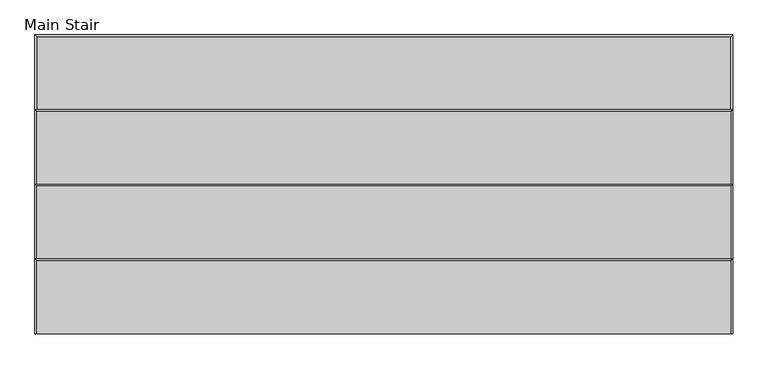
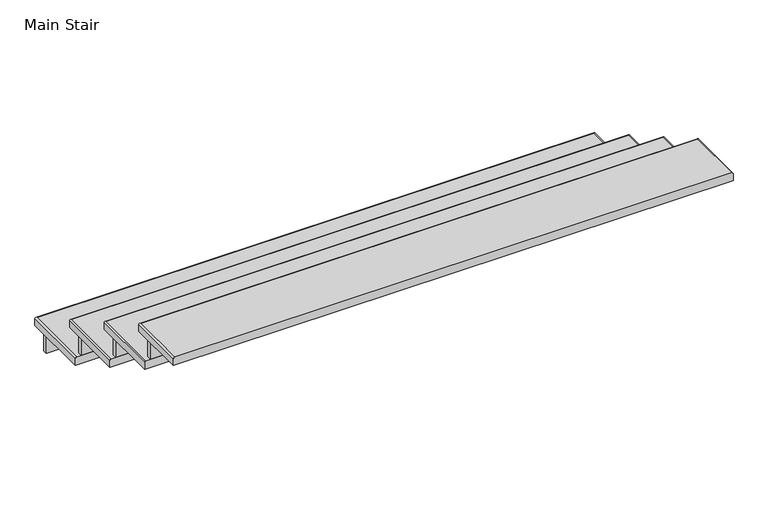
"""IFC4 building model written with IfcOpenShell, lengths in millimetres: stair flight geometry, Main Stair."""

from ifc_helpers import new_model, si_unit, frame, origin, place, context, project, spatial, circle_curve, ellipse_curve, faceted_brep, source, transform, mapped, element, save
from ifc_brep_helpers import plane_surface, cylinder_surface, advanced_brep


def main_stair_6b467488(model_context):
    return source(origin(), model_context, "Body", "SolidModel", [
        advanced_brep(
        [(8380.9357213, 13205.4999284, -565.15), (8387.2857213, 13205.4999284, -558.8), (8387.2857213, 13510.2999284, -558.8), (8380.9357213, 13516.6499284, -565.15), (8380.9357213, 13205.4999284, -596.9), (8380.9357213, 13516.6499284, -596.9), (10863.7857213, 13510.2999284, -558.8), (10870.1357213, 13516.6499284, -565.15), (10870.1357213, 13516.6499284, -596.9), (10863.7857213, 13205.4999284, -558.8), (10870.1357213, 13205.4999284, -565.15), (10870.1357213, 13205.4999284, -596.9)],
        [
            (0, 1, circle_curve(frame((8387.2857213, 13205.4999284, -565.15), z_axis=(0.0, 1.0, 0.0), x_axis=(1.0, 0.0, 0.0)), 6.35)),
            (1, 2),
            (2, 3, ellipse_curve(frame((8387.2857213, 13510.2999284, -565.15), z_axis=(-0.7071067811865533, -0.7071067811865417, 0.0), x_axis=(0.7071067811865417, -0.7071067811865533, 0.0)), 8.9802561, 6.35)),
            (3, 0),
            (4, 0),
            (3, 5),
            (5, 4),
            (2, 6),
            (6, 7, ellipse_curve(frame((10863.7857213, 13510.2999284, -565.15), z_axis=(-0.7071067811865416, 0.7071067811865533, 0.0), x_axis=(-0.7071067811865535, -0.7071067811865415, 0.0)), 8.9802561, 6.35)),
            (7, 3),
            (7, 8),
            (8, 5),
            (6, 9),
            (9, 10, circle_curve(frame((10863.7857213, 13205.4999284, -565.15), z_axis=(0.0, 1.0, 0.0), x_axis=(-1.0, 0.0, 0.0)), 6.35)),
            (10, 7),
            (10, 11),
            (11, 8),
            (1, 9),
            (11, 4),
        ],
        [
            cylinder_surface(frame((8387.2857213, 13205.4999284, -565.15), z_axis=(0.0, -1.0, 0.0), x_axis=(1.0, 0.0, 0.0)), 6.35),
            plane_surface(frame((8380.9357213, 13205.4999284, -565.15), z_axis=(-1.0, 0.0, 0.0), x_axis=(0.0, 1.0, 0.0))),
            cylinder_surface(frame((8406.3357213, 13510.2999284, -565.15), z_axis=(-1.0, 0.0, 0.0), x_axis=(0.0, -1.0, 0.0)), 6.35),
            plane_surface(frame((8380.9357213, 13516.6499284, -565.15), z_axis=(0.0, 1.0, 0.0), x_axis=(1.0, 0.0, 0.0))),
            cylinder_surface(frame((10863.7857213, 13491.2499284, -565.15), z_axis=(0.0, 1.0, 0.0), x_axis=(-1.0, 0.0, 0.0)), 6.35),
            plane_surface(frame((10870.1357213, 13516.6499284, -565.15), z_axis=(1.0, 0.0, 0.0), x_axis=(0.0, -1.0, 0.0))),
            plane_surface(frame((10844.7357213, 13516.6499284, -558.8), z_axis=(0.0, 0.0, 1.0), x_axis=(0.0, 1.0, 0.0))),
            plane_surface(frame((10844.7357213, 13516.6499284, -596.9), z_axis=(0.0, 0.0, -1.0), x_axis=(0.0, -1.0, 0.0))),
            plane_surface(frame((8406.3357213, 13205.4999284, -558.8), z_axis=(0.0, -1.0, 0.0), x_axis=(0.0, 0.0, -1.0))),
        ],
        [
            (0, [[1, 2, 3, 4]]),
            (1, [[5, -4, 6, 7]]),
            (2, [[-3, 8, 9, 10]]),
            (3, [[-6, -10, 11, 12]]),
            (4, [[-9, 13, 14, 15]]),
            (5, [[-11, -15, 16, 17]]),
            (6, [[-13, -8, -2, 18]]),
            (7, [[-7, -12, -17, 19]]),
            (8, [[-18, -1, -5, -19, -16, -14]]),
        ],
    ),
        faceted_brep([(8406.3357213, 13491.2499284, -596.9), (8406.3357213, 13491.2499284, -711.2), (8406.3357213, 13472.1999284, -711.2), (8406.3357213, 13472.1999284, -596.9), (10844.7357213, 13491.2499284, -596.9), (10844.7357213, 13472.1999284, -596.9), (10844.7357213, 13472.1999284, -711.2), (10844.7357213, 13491.2499284, -711.2)], [[[0, 1, 2, 3]], [[4, 5, 6, 7]], [[1, 0, 4, 7]], [[2, 1, 7, 6]], [[3, 2, 6, 5]], [[0, 3, 5, 4]]]),
        faceted_brep([(8406.3357213, 13224.5499284, -444.5), (8406.3357213, 13224.5499284, -558.8), (8406.3357213, 13205.4999284, -558.8), (8406.3357213, 13205.4999284, -444.5), (10844.7357213, 13224.5499284, -444.5), (10844.7357213, 13205.4999284, -444.5), (10844.7357213, 13205.4999284, -558.8), (10844.7357213, 13224.5499284, -558.8)], [[[0, 1, 2, 3]], [[4, 5, 6, 7]], [[1, 0, 4, 7]], [[2, 1, 7, 6]], [[3, 2, 6, 5]], [[0, 3, 5, 4]]]),
        advanced_brep(
        [(10863.7857213, 12938.7999284, -406.4), (10863.7857213, 13243.5999284, -406.4), (8387.2857213, 13243.5999284, -406.4), (8387.2857213, 12938.7999284, -406.4), (8380.9357213, 12938.7999284, -444.5), (8380.9357213, 13249.9499284, -444.5), (10870.1357213, 13249.9499284, -444.5), (10870.1357213, 12938.7999284, -444.5), (8380.9357213, 12938.7999284, -412.75), (10870.1357213, 12938.7999284, -412.75), (8380.9357213, 13249.9499284, -412.75), (10870.1357213, 13249.9499284, -412.75)],
        [
            (0, 1),
            (1, 2),
            (2, 3),
            (3, 0),
            (4, 5),
            (5, 6),
            (6, 7),
            (7, 4),
            (3, 8, circle_curve(frame((8387.2857213, 12938.7999284, -412.75), z_axis=(0.0, -1.0, 0.0), x_axis=(1.0, 0.0, 0.0)), 6.35)),
            (8, 4),
            (7, 9),
            (9, 0, circle_curve(frame((10863.7857213, 12938.7999284, -412.75), z_axis=(0.0, -1.0, 0.0), x_axis=(-1.0, 0.0, 0.0)), 6.35)),
            (2, 10, ellipse_curve(frame((8387.2857213, 13243.5999284, -412.75), z_axis=(-0.7071067811865533, -0.7071067811865417, 0.0), x_axis=(0.7071067811865417, -0.7071067811865533, 0.0)), 8.9802561, 6.35)),
            (10, 8),
            (10, 5),
            (1, 11, ellipse_curve(frame((10863.7857213, 13243.5999284, -412.75), z_axis=(-0.7071067811865416, 0.7071067811865533, 0.0), x_axis=(-0.7071067811865535, -0.7071067811865415, 0.0)), 8.9802561, 6.35)),
            (11, 10),
            (11, 6),
            (9, 11),
        ],
        [
            plane_surface(frame((10844.7357213, 13516.6499284, -406.4), z_axis=(0.0, 0.0, 1.0), x_axis=(0.0, 1.0, 0.0))),
            plane_surface(frame((10844.7357213, 13516.6499284, -444.5), z_axis=(0.0, 0.0, -1.0), x_axis=(0.0, -1.0, 0.0))),
            plane_surface(frame((8406.3357213, 12938.7999284, -406.4), z_axis=(0.0, -1.0, 0.0), x_axis=(0.0, 0.0, -1.0))),
            cylinder_surface(frame((8387.2857213, 12938.7999284, -412.75), z_axis=(0.0, -1.0, 0.0), x_axis=(1.0, 0.0, 0.0)), 6.35),
            plane_surface(frame((8380.9357213, 12938.7999284, -412.75), z_axis=(-1.0, 0.0, 0.0), x_axis=(0.0, 1.0, 0.0))),
            cylinder_surface(frame((8406.3357213, 13243.5999284, -412.75), z_axis=(-1.0, 0.0, 0.0), x_axis=(0.0, -1.0, 0.0)), 6.35),
            plane_surface(frame((8380.9357213, 13249.9499284, -412.75), z_axis=(0.0, 1.0, 0.0), x_axis=(1.0, 0.0, 0.0))),
            cylinder_surface(frame((10863.7857213, 13224.5499284, -412.75), z_axis=(0.0, 1.0, 0.0), x_axis=(-1.0, 0.0, 0.0)), 6.35),
            plane_surface(frame((10870.1357213, 13249.9499284, -412.75), z_axis=(1.0, 0.0, 0.0), x_axis=(0.0, -1.0, 0.0))),
        ],
        [
            (0, [[1, 2, 3, 4]]),
            (1, [[5, 6, 7, 8]]),
            (2, [[-4, 9, 10, -8, 11, 12]]),
            (3, [[-9, -3, 13, 14]]),
            (4, [[-10, -14, 15, -5]]),
            (5, [[-13, -2, 16, 17]]),
            (6, [[-15, -17, 18, -6]]),
            (7, [[-16, -1, -12, 19]]),
            (8, [[-18, -19, -11, -7]]),
        ],
    ),
        faceted_brep([(8406.3357213, 12957.8499284, -292.1), (8406.3357213, 12957.8499284, -406.4), (8406.3357213, 12938.7999284, -406.4), (8406.3357213, 12938.7999284, -292.1), (10844.7357213, 12957.8499284, -292.1), (10844.7357213, 12938.7999284, -292.1), (10844.7357213, 12938.7999284, -406.4), (10844.7357213, 12957.8499284, -406.4)], [[[0, 1, 2, 3]], [[4, 5, 6, 7]], [[1, 0, 4, 7]], [[2, 1, 7, 6]], [[3, 2, 6, 5]], [[0, 3, 5, 4]]]),
        advanced_brep(
        [(10863.7857213, 12672.0999284, -254.0), (10863.7857213, 12976.8999284, -254.0), (8387.2857213, 12976.8999284, -254.0), (8387.2857213, 12672.0999284, -254.0), (8380.9357213, 12672.0999284, -292.1), (8380.9357213, 12983.2499284, -292.1), (10870.1357213, 12983.2499284, -292.1), (10870.1357213, 12672.0999284, -292.1), (8380.9357213, 12672.0999284, -260.35), (10870.1357213, 12672.0999284, -260.35), (8380.9357213, 12983.2499284, -260.35), (10870.1357213, 12983.2499284, -260.35)],
        [
            (0, 1),
            (1, 2),
            (2, 3),
            (3, 0),
            (4, 5),
            (5, 6),
            (6, 7),
            (7, 4),
            (3, 8, circle_curve(frame((8387.2857213, 12672.0999284, -260.35), z_axis=(0.0, -1.0, 0.0), x_axis=(1.0, 0.0, 0.0)), 6.35)),
            (8, 4),
            (7, 9),
            (9, 0, circle_curve(frame((10863.7857213, 12672.0999284, -260.35), z_axis=(0.0, -1.0, 0.0), x_axis=(-1.0, 0.0, 0.0)), 6.35)),
            (2, 10, ellipse_curve(frame((8387.2857213, 12976.8999284, -260.35), z_axis=(-0.7071067811865533, -0.7071067811865417, 0.0), x_axis=(0.7071067811865417, -0.7071067811865533, 0.0)), 8.9802561, 6.35)),
            (10, 8),
            (10, 5),
            (1, 11, ellipse_curve(frame((10863.7857213, 12976.8999284, -260.35), z_axis=(-0.7071067811865416, 0.7071067811865533, 0.0), x_axis=(-0.7071067811865535, -0.7071067811865415, 0.0)), 8.9802561, 6.35)),
            (11, 10),
            (11, 6),
            (9, 11),
        ],
        [
            plane_surface(frame((10844.7357213, 13249.9499284, -254.0), z_axis=(0.0, 0.0, 1.0), x_axis=(0.0, 1.0, 0.0))),
            plane_surface(frame((10844.7357213, 13249.9499284, -292.1), z_axis=(0.0, 0.0, -1.0), x_axis=(0.0, -1.0, 0.0))),
            plane_surface(frame((8406.3357213, 12672.0999284, -254.0), z_axis=(0.0, -1.0, 0.0), x_axis=(0.0, 0.0, -1.0))),
            cylinder_surface(frame((8387.2857213, 12672.0999284, -260.35), z_axis=(0.0, -1.0, 0.0), x_axis=(1.0, 0.0, 0.0)), 6.35),
            plane_surface(frame((8380.9357213, 12672.0999284, -260.35), z_axis=(-1.0, 0.0, 0.0), x_axis=(0.0, 1.0, 0.0))),
            cylinder_surface(frame((8406.3357213, 12976.8999284, -260.35), z_axis=(-1.0, 0.0, 0.0), x_axis=(0.0, -1.0, 0.0)), 6.35),
            plane_surface(frame((8380.9357213, 12983.2499284, -260.35), z_axis=(0.0, 1.0, 0.0), x_axis=(1.0, 0.0, 0.0))),
            cylinder_surface(frame((10863.7857213, 12957.8499284, -260.35), z_axis=(0.0, 1.0, 0.0), x_axis=(-1.0, 0.0, 0.0)), 6.35),
            plane_surface(frame((10870.1357213, 12983.2499284, -260.35), z_axis=(1.0, 0.0, 0.0), x_axis=(0.0, -1.0, 0.0))),
        ],
        [
            (0, [[1, 2, 3, 4]]),
            (1, [[5, 6, 7, 8]]),
            (2, [[-4, 9, 10, -8, 11, 12]]),
            (3, [[-9, -3, 13, 14]]),
            (4, [[-10, -14, 15, -5]]),
            (5, [[-13, -2, 16, 17]]),
            (6, [[-15, -17, 18, -6]]),
            (7, [[-16, -1, -12, 19]]),
            (8, [[-18, -19, -11, -7]]),
        ],
    ),
        faceted_brep([(8406.3357213, 12691.1499284, -139.7), (8406.3357213, 12691.1499284, -254.0), (8406.3357213, 12672.0999284, -254.0), (8406.3357213, 12672.0999284, -139.7), (10844.7357213, 12691.1499284, -139.7), (10844.7357213, 12672.0999284, -139.7), (10844.7357213, 12672.0999284, -254.0), (10844.7357213, 12691.1499284, -254.0)], [[[0, 1, 2, 3]], [[4, 5, 6, 7]], [[1, 0, 4, 7]], [[2, 1, 7, 6]], [[3, 2, 6, 5]], [[0, 3, 5, 4]]]),
        advanced_brep(
        [(10863.7857213, 12449.8499284, -101.6), (10863.7857213, 12710.1999284, -101.6), (8387.2857213, 12710.1999284, -101.6), (8387.2857213, 12449.8499284, -101.6), (8380.9357213, 12449.8499284, -139.7), (8380.9357213, 12716.5499284, -139.7), (10870.1357213, 12716.5499284, -139.7), (10870.1357213, 12449.8499284, -139.7), (8380.9357213, 12449.8499284, -107.95), (10870.1357213, 12449.8499284, -107.95), (8380.9357213, 12716.5499284, -107.95), (10870.1357213, 12716.5499284, -107.95)],
        [
            (0, 1),
            (1, 2),
            (2, 3),
            (3, 0),
            (4, 5),
            (5, 6),
            (6, 7),
            (7, 4),
            (3, 8, circle_curve(frame((8387.2857213, 12449.8499284, -107.95), z_axis=(0.0, -1.0, 0.0), x_axis=(1.0, 0.0, 0.0)), 6.35)),
            (8, 4),
            (7, 9),
            (9, 0, circle_curve(frame((10863.7857213, 12449.8499284, -107.95), z_axis=(0.0, -1.0, 0.0), x_axis=(-1.0, 0.0, 0.0)), 6.35)),
            (2, 10, ellipse_curve(frame((8387.2857213, 12710.1999284, -107.95), z_axis=(-0.7071067811865533, -0.7071067811865417, 0.0), x_axis=(0.7071067811865417, -0.7071067811865533, 0.0)), 8.9802561, 6.35)),
            (10, 8),
            (10, 5),
            (1, 11, ellipse_curve(frame((10863.7857213, 12710.1999284, -107.95), z_axis=(-0.7071067811865416, 0.7071067811865533, 0.0), x_axis=(-0.7071067811865535, -0.7071067811865415, 0.0)), 8.9802561, 6.35)),
            (11, 10),
            (11, 6),
            (9, 11),
        ],
        [
            plane_surface(frame((10844.7357213, 13516.6499284, -101.6), z_axis=(0.0, 0.0, 1.0), x_axis=(0.0, 1.0, 0.0))),
            plane_surface(frame((10844.7357213, 13516.6499284, -139.7), z_axis=(0.0, 0.0, -1.0), x_axis=(0.0, -1.0, 0.0))),
            plane_surface(frame((8406.3357213, 12449.8499284, -101.6), z_axis=(0.0, -1.0, 0.0), x_axis=(0.0, 0.0, -1.0))),
            cylinder_surface(frame((8387.2857213, 12449.8499284, -107.95), z_axis=(0.0, -1.0, 0.0), x_axis=(1.0, 0.0, 0.0)), 6.35),
            plane_surface(frame((8380.9357213, 12449.8499284, -107.95), z_axis=(-1.0, 0.0, 0.0), x_axis=(0.0, 1.0, 0.0))),
            cylinder_surface(frame((8406.3357213, 12710.1999284, -107.95), z_axis=(-1.0, 0.0, 0.0), x_axis=(0.0, -1.0, 0.0)), 6.35),
            plane_surface(frame((8380.9357213, 12716.5499284, -107.95), z_axis=(0.0, 1.0, 0.0), x_axis=(1.0, 0.0, 0.0))),
            cylinder_surface(frame((10863.7857213, 12691.1499284, -107.95), z_axis=(0.0, 1.0, 0.0), x_axis=(-1.0, 0.0, 0.0)), 6.35),
            plane_surface(frame((10870.1357213, 12716.5499284, -107.95), z_axis=(1.0, 0.0, 0.0), x_axis=(0.0, -1.0, 0.0))),
        ],
        [
            (0, [[1, 2, 3, 4]]),
            (1, [[5, 6, 7, 8]]),
            (2, [[-4, 9, 10, -8, 11, 12]]),
            (3, [[-9, -3, 13, 14]]),
            (4, [[-10, -14, 15, -5]]),
            (5, [[-13, -2, 16, 17]]),
            (6, [[-15, -17, 18, -6]]),
            (7, [[-16, -1, -12, 19]]),
            (8, [[-18, -19, -11, -7]]),
        ],
    ),
    ])


if __name__ == "__main__":
    model = new_model("IFC4")
    model_context = context("Model", 3, world=origin())
    ifc_project = project(units=[si_unit("LENGTHUNIT", "METRE", prefix="MILLI")], contexts=[model_context])
    site = spatial("IfcSite", under=ifc_project)
    building = spatial("IfcBuilding", under=site)
    placement = place(None, origin())
    main_stair_shape = main_stair_6b467488(model_context)
    element("IfcStairFlight", 1, ObjectType="Main Stair", at=placement, inside=building, context=model_context, shape_type="MappedRepresentation", body=[
        mapped(main_stair_shape, transform((0.0, 0.0, 0.0), x_axis=(1.0, 0.0, 0.0), y_axis=(0.0, 1.0, 0.0), z_axis=(0.0, 0.0, 1.0))),
    ])
    save(model, "model.ifc")
